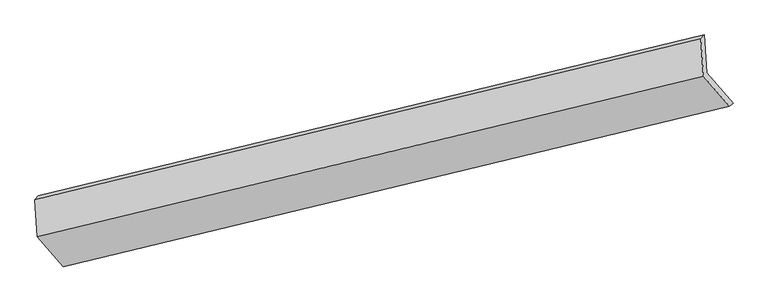
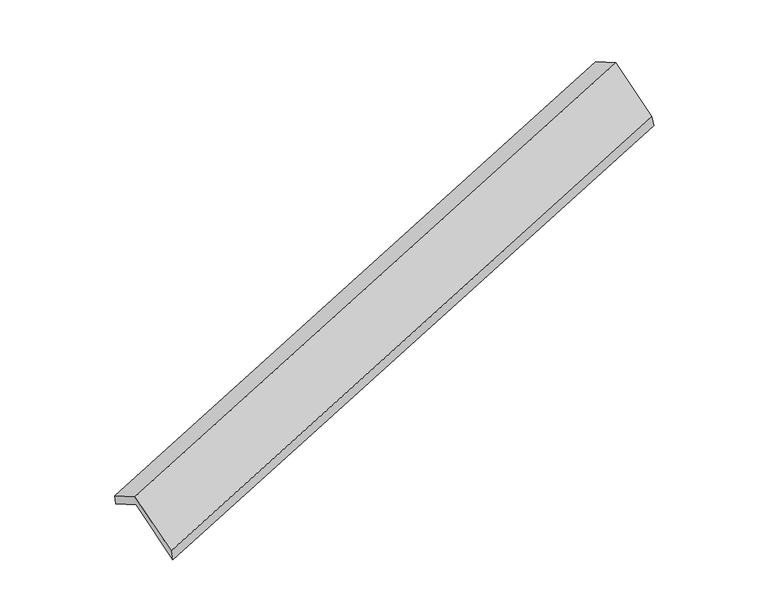
"""IFC4 building model written with IfcOpenShell, lengths in millimetres: proxy geometry."""

from ifc_helpers import new_model, si_unit, origin, place, context, project, spatial, faceted_brep, source, transform, mapped, element, save


def generic_models_6ab11f67(model_context):
    return source(origin(), model_context, "Body", "Brep", [
        faceted_brep([(-6066.7747433, -2274.1468004, 1090.8686148), (-6090.6324798, -1914.5217917, 897.4022407), (205.1256481, -394.760841, 2946.0347679), (228.9833845, -754.3858497, 3139.501142), (-6122.8692254, -1952.8101606, 1027.142705), (172.8889025, -433.0492099, 3075.7752322), (-6099.5851989, -2303.787221, 1215.9567687), (196.1729289, -784.0262703, 3264.5892959), (-5854.8865412, -2587.0020132, 659.3273354), (440.8715866, -1067.2410624, 2707.9598626), (-5818.641776, -2561.3364704, 526.4269695), (477.1163518, -1041.5755197, 2575.0594968)], [[[0, 1, 2, 3]], [[1, 4, 5, 2]], [[4, 6, 7, 5]], [[6, 8, 9, 7]], [[8, 10, 11, 9]], [[10, 0, 3, 11]], [[9, 11, 3, 2, 5, 7]], [[0, 10, 8, 6, 4, 1]]]),
    ])


if __name__ == "__main__":
    model = new_model("IFC4")
    model_context = context("Model", 3, world=origin())
    ifc_project = project(units=[si_unit("LENGTHUNIT", "METRE", prefix="MILLI")], contexts=[model_context])
    site = spatial("IfcSite", under=ifc_project)
    building = spatial("IfcBuilding", under=site)
    placement = place(None, origin())
    generic_models_shape = generic_models_6ab11f67(model_context)
    element("IfcBuildingElementProxy", 1, Name="Generic Models", at=placement, inside=building, context=model_context, shape_type="MappedRepresentation", body=[
        mapped(generic_models_shape, transform((0.0, 0.0, 0.0), x_axis=(1.0, 0.0, 0.0), y_axis=(0.0, 1.0, 0.0), z_axis=(0.0, 0.0, 1.0))),
    ])
    save(model, "model.ifc")
